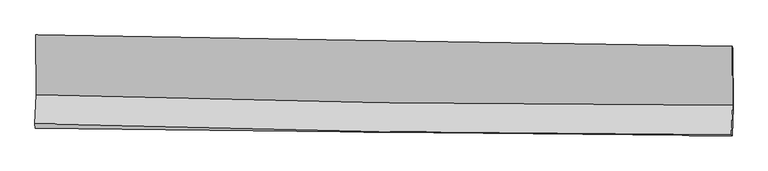
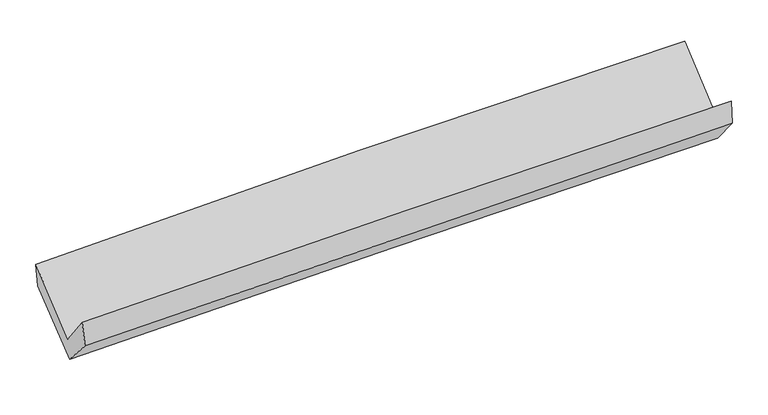
"""IFC4 building model written with IfcOpenShell, lengths in millimetres: proxy geometry."""

from ifc_helpers import new_model, si_unit, frame, origin, place, context, project, spatial, source, transform, mapped, element, save
from ifc_brep_helpers import plane_surface, spline_curve, spline_surface, advanced_brep


def generic_models_1b153eae(model_context):
    return source(origin(), model_context, "Body", "AdvancedBrep", [
        advanced_brep(
        [(-3018.1215319, -1162.2094908, 2164.9810661), (-3017.1381386, -1681.4299037, 1736.8217456), (3005.9383119, -1769.981761, 1894.7170252), (3003.20382, -1260.4124103, 2328.7466851), (-3026.8975678, -1931.0357636, 2055.3384857), (2996.3244673, -2026.803748, 2201.2297345), (-3023.3183769, -1969.1667616, 1844.1806179), (3000.7058924, -2035.3452864, 1986.7747534), (-3013.8197734, -1704.2004181, 1550.2055681), (3010.1257027, -1788.942393, 1683.3313792), (-3014.5111032, -1186.3733621, 1962.3843834), (3007.798436, -1275.4022449, 2100.2653667)],
        [
            (0, 1),
            (1, 2, spline_curve(3, [(-3017.1381386, -1681.4299037, 1736.8217456), (-2013.66560765, -1710.386106739, 1783.907427506), (-1009.85261051, -1732.243616181, 1820.609058349), (997.839955954, -1761.752218516, 1873.228115893), (2001.719109322, -1769.411994828, 1889.158244897), (3005.9383119, -1769.981761, 1894.7170252)], [4, 2, 4], [0.0, 9.887284193001575, 19.76851917157891])),
            (2, 3),
            (3, 0, spline_curve(3, [(3003.20382, -1260.4124103, 2328.7466851), (1999.533321082, -1245.540522881, 2319.204674894), (996.074439473, -1229.923734492, 2300.793425528), (-1011.034270367, -1197.190340411, 2246.215748572), (-2014.683839125, -1180.072822104, 2210.038458003), (-3018.1215319, -1162.2094908, 2164.9810661)], [4, 2, 4], [0.0, 9.881234978577334, 19.76851917157891])),
            (1, 4),
            (4, 5, spline_curve(3, [(-3026.8975678, -1931.0357636, 2055.3384857), (-2023.366114816, -1960.399951215, 2098.990006769), (-1019.51152638, -1983.063102425, 2132.974134316), (988.229547382, -2014.977566872, 2181.592724879), (1992.115637226, -2024.23707689, 2196.239013742), (2996.3244673, -2026.803748, 2201.2297345)], [4, 2, 4], [0.0, 9.888654325249162, 19.77125859780307])),
            (5, 2),
            (4, 6),
            (6, 7, spline_curve(3, [(-3023.3183769, -1969.1667616, 1844.1806179), (-2019.088823791, -1979.935337343, 1868.446539852), (-1014.818398392, -1990.836230112, 1892.46590601), (993.189741271, -2012.895900176, 1939.996983166), (1996.927405928, -2024.054515724, 1963.508995095), (3000.7058924, -2035.3452864, 1986.7747534)], [4, 2, 4], [0.0, 9.888194214272824, 19.770338657354383])),
            (7, 5),
            (6, 8),
            (8, 9, spline_curve(3, [(-3013.8197734, -1704.2004181, 1550.2055681), (-2009.713839569, -1715.293883841, 1579.84717259), (-1005.511775365, -1727.905073264, 1605.764047899), (1002.47016786, -1756.154254818, 1650.134762156), (2006.249928533, -1771.790390539, 1668.593157003), (3010.1257027, -1788.942393, 1683.3313792)], [4, 2, 4], [0.0, 9.88827900037013, 19.770508177675367])),
            (9, 7),
            (8, 10),
            (10, 11, spline_curve(3, [(-3014.5111032, -1186.3733621, 1962.3843834), (-2010.592359696, -1199.249349697, 1989.230363427), (-1006.62027293, -1213.108988089, 2014.146361192), (1000.816305108, -1242.786485925, 2060.104328159), (2004.280731953, -1258.603141469, 2081.14865825), (3007.798436, -1275.4022449, 2100.2653667)], [4, 2, 4], [0.0, 9.887065934993533, 19.768082789096916])),
            (11, 9),
            (10, 0),
            (3, 11),
        ],
        [
            spline_surface(3, 3, [[(-3018.1215319, -1162.2094908, 2164.9810661), (-2014.683839205, -1180.072822059, 2210.03845808), (-1011.034270357, -1197.190340371, 2246.215748565), (996.074439463, -1229.923734531, 2300.793425535), (1999.533321235, -1245.540522751, 2319.204674748), (3003.20382, -1260.4124103, 2328.7466851)], [(-3017.793734149, -1335.282961746, 2022.261292604), (-2014.344428652, -1356.84391694, 2067.994781267), (-1010.640383776, -1375.541432324, 2104.346851854), (996.662944994, -1407.199895831, 2158.271655651), (2000.261917257, -1420.164346736, 2175.855864828), (3004.115317304, -1430.268860517, 2184.070131806)], [(-3017.465936351, -1508.356432754, 1879.541519096), (-2014.005018052, -1533.615011884, 1925.951104441), (-1010.246497194, -1553.892524295, 1962.477955107), (997.251450527, -1584.476057149, 2015.749885729), (2000.990513265, -1594.78817077, 2032.507054892), (3005.026814596, -1600.125310783, 2039.393578494)], [(-3017.1381386, -1681.4299037, 1736.8217456), (-2013.665607499, -1710.386106765, 1783.907427628), (-1009.852610613, -1732.243616248, 1820.609058396), (997.839956058, -1761.752218449, 1873.228115845), (2001.719109287, -1769.411994755, 1889.158244972), (3005.9383119, -1769.981761, 1894.7170252)]], [4, 4], [4, 2, 4], [0.0, 2.240930128231393], [0.0, 9.887284193001575, 19.76851917157891]),
            spline_surface(3, 3, [[(-3017.1381386, -1681.4299037, 1736.8217456), (-2013.665607499, -1710.386106765, 1783.907427628), (-1009.852610613, -1732.243616248, 1820.609058396), (997.839956058, -1761.752218449, 1873.228115845), (2001.719109287, -1769.411994755, 1889.158244972), (3005.9383119, -1769.981761, 1894.7170252)], [(-3020.391281648, -1764.631856995, 1842.993992277), (-2016.899109887, -1793.724054888, 1888.934954001), (-1013.072249187, -1815.850111649, 1924.730750362), (994.636486478, -1846.160667905, 1976.016318836), (1998.517951953, -1854.353688842, 1991.518501177), (3002.733697035, -1855.589090021, 1996.887928295)], [(-3023.644424752, -1847.833810305, 1949.166239023), (-2020.132612333, -1877.062003026, 1993.962480444), (-1016.291887752, -1899.456607064, 2028.852442369), (991.433016907, -1930.569117375, 2078.804521869), (1995.316794616, -1939.295382866, 2093.878757397), (2999.529082165, -1941.196418979, 2099.058831405)], [(-3026.8975678, -1931.0357636, 2055.3384857), (-2023.366114722, -1960.39995115, 2098.990006817), (-1019.511526326, -1983.063102466, 2132.974134334), (988.229547328, -2014.977566831, 2181.59272486), (1992.115637282, -2024.237076953, 2196.239013602), (2996.3244673, -2026.803748, 2201.2297345)]], [4, 4], [4, 2, 4], [0.0, 1.3120687482627424], [0.0, 9.888654325249162, 19.77125859780307]),
            spline_surface(3, 3, [[(-3026.8975678, -1931.0357636, 2055.3384857), (-2023.366114722, -1960.39995115, 2098.990006817), (-1019.511526326, -1983.063102466, 2132.974134334), (988.229547328, -2014.977566831, 2181.59272486), (1992.115637282, -2024.237076953, 2196.239013602), (2996.3244673, -2026.803748, 2201.2297345)], [(-3025.704504176, -1943.74609627, 1984.952529792), (-2021.940351075, -1966.911746505, 2022.142184513), (-1017.947150347, -1985.654145013, 2052.804724962), (989.882945344, -2014.283677969, 2101.060810939), (1993.719560099, -2024.176223166, 2118.662340817), (2997.784942319, -2029.650927469, 2129.744740799)], [(-3024.511440524, -1956.45642893, 1914.566573808), (-2020.514587399, -1973.423541851, 1945.294362133), (-1016.382774423, -1988.245187528, 1972.635315521), (991.536343306, -2013.589789075, 2020.528896948), (1995.323482958, -2024.115369373, 2041.085668034), (2999.245417381, -2032.498106931, 2058.259747101)], [(-3023.3183769, -1969.1667616, 1844.1806179), (-2019.088823752, -1979.935337207, 1868.446539829), (-1014.818398445, -1990.836230075, 1892.46590615), (993.189741323, -2012.895900213, 1939.996983026), (1996.927405775, -2024.054515585, 1963.508995249), (3000.7058924, -2035.3452864, 1986.7747534)]], [4, 4], [4, 2, 4], [0.0, 0.7910656013049195], [0.0, 9.888194214272824, 19.770338657354383]),
            spline_surface(3, 3, [[(-3023.3183769, -1969.1667616, 1844.1806179), (-2019.088823752, -1979.935337207, 1868.446539829), (-1014.818398445, -1990.836230075, 1892.46590615), (993.189741323, -2012.895900213, 1939.996983026), (1996.927405775, -2024.054515585, 1963.508995249), (3000.7058924, -2035.3452864, 1986.7747534)], [(-3020.152175717, -1880.844647106, 1746.188934631), (-2015.963829046, -1891.721519451, 1772.246750799), (-1011.716190714, -1903.19251114, 1796.898620082), (996.283216776, -1927.315351751, 1843.376242683), (2000.034913395, -1939.96647387, 1865.203715907), (3003.845829156, -1953.21098861, 1885.626962018)], [(-3016.985974583, -1792.522532594, 1648.197251369), (-2012.838834389, -1803.507701678, 1676.046961778), (-1008.613982951, -1815.548792198, 1701.331334071), (999.376692262, -1841.734803281, 1746.755502396), (2003.142421047, -1855.878432126, 1766.89843651), (3006.985765944, -1871.07669079, 1784.479170582)], [(-3013.8197734, -1704.2004181, 1550.2055681), (-2009.713839683, -1715.293883922, 1579.847172749), (-1005.511775221, -1727.905073263, 1605.764048003), (1002.470167715, -1756.154254819, 1650.134762052), (2006.249928667, -1771.79039041, 1668.593157167), (3010.1257027, -1788.942393, 1683.3313792)]], [4, 4], [4, 2, 4], [0.0, 1.2736602745309213], [0.0, 9.88827900037013, 19.770508177675367]),
            spline_surface(3, 3, [[(-3013.8197734, -1704.2004181, 1550.2055681), (-2009.713839683, -1715.293883922, 1579.847172749), (-1005.511775221, -1727.905073263, 1605.764048003), (1002.470167715, -1756.154254819, 1650.134762052), (2006.249928667, -1771.79039041, 1668.593157167), (3010.1257027, -1788.942393, 1683.3313792)], [(-3014.050216687, -1531.591399441, 1687.598506518), (-2010.006679669, -1543.279039191, 1716.308236345), (-1005.881274516, -1556.306378248, 1741.891485734), (1001.918880214, -1585.031665124, 1786.791284069), (2005.593529713, -1600.727974089, 1806.111657519), (3009.349947133, -1617.762343612, 1822.309375029)], [(-3014.280659913, -1358.982380759, 1824.991444982), (-2010.299519594, -1371.264194436, 1852.769299987), (-1006.250773774, -1384.707683264, 1878.018923492), (1001.367592748, -1413.909075461, 1923.447806111), (2004.937130762, -1429.665557832, 1943.630157883), (3008.574191567, -1446.582294288, 1961.287370871)], [(-3014.5111032, -1186.3733621, 1962.3843834), (-2010.592359581, -1199.249349704, 1989.230363583), (-1006.620273069, -1213.108988249, 2014.146361224), (1000.816305246, -1242.786485765, 2060.104328128), (2004.280731808, -1258.603141511, 2081.148658235), (3007.798436, -1275.4022449, 2100.2653667)]], [4, 4], [4, 2, 4], [0.0, 2.155656964496462], [0.0, 9.887065934993533, 19.768082789096916]),
            spline_surface(3, 3, [[(-3014.5111032, -1186.3733621, 1962.3843834), (-2010.592359581, -1199.249349704, 1989.230363583), (-1006.620273069, -1213.108988249, 2014.146361224), (1000.816305246, -1242.786485765, 2060.104328128), (2004.280731808, -1258.603141511, 2081.148658235), (3007.798436, -1275.4022449, 2100.2653667)], [(-3015.714579424, -1178.318738342, 2029.916610978), (-2011.956186113, -1192.857173831, 2062.83306176), (-1008.09160549, -1207.802772298, 2091.502823676), (999.235683327, -1238.498902029, 2140.334027269), (2002.698261637, -1254.248935263, 2160.500663725), (3006.266897353, -1270.405633372, 2176.425806153)], [(-3016.918055676, -1170.264114558, 2097.448838522), (-2013.320012673, -1186.464997932, 2136.435759903), (-1009.562937936, -1202.496556322, 2168.859286112), (997.655061382, -1234.211318268, 2220.563726393), (2001.115791407, -1249.894728999, 2239.852669257), (3004.735358647, -1265.409021828, 2252.586245647)], [(-3018.1215319, -1162.2094908, 2164.9810661), (-2014.683839205, -1180.072822059, 2210.03845808), (-1011.034270357, -1197.190340371, 2246.215748565), (996.074439463, -1229.923734531, 2300.793425535), (1999.533321235, -1245.540522751, 2319.204674748), (3003.20382, -1260.4124103, 2328.7466851)]], [4, 4], [4, 2, 4], [0.0, 0.7770949895758552], [0.0, 9.885767282611356, 19.765486278870938]),
            plane_surface(frame((3004.0161051, -1692.8146406, 2032.510824), z_axis=(0.9997035647765291, -0.012454515351083419, 0.02092050717525647), x_axis=(-0.0035182438294008994, 0.77634396432073, 0.6302996676368551))),
            plane_surface(frame((-3018.9677486, -1605.73595, 1885.6519778), z_axis=(-0.9997089378163464, 0.014193636111341864, -0.019508468521425924), x_axis=(0.017692580774617613, -0.11841287649867899, -0.9928068106458791))),
        ],
        [
            (0, [[1, 2, 3, 4]]),
            (1, [[5, 6, 7, -2]]),
            (2, [[8, 9, 10, -6]]),
            (3, [[11, 12, 13, -9]]),
            (4, [[14, 15, 16, -12]]),
            (5, [[17, -4, 18, -15]]),
            (6, [[-16, -18, -3, -7, -10, -13]]),
            (7, [[-17, -14, -11, -8, -5, -1]]),
        ],
    ),
    ])


if __name__ == "__main__":
    model = new_model("IFC4")
    model_context = context("Model", 3, world=origin())
    ifc_project = project(units=[si_unit("LENGTHUNIT", "METRE", prefix="MILLI")], contexts=[model_context])
    site = spatial("IfcSite", under=ifc_project)
    building = spatial("IfcBuilding", under=site)
    placement = place(None, origin())
    generic_models_shape = generic_models_1b153eae(model_context)
    element("IfcBuildingElementProxy", 1, Name="Generic Models", at=placement, inside=building, context=model_context, shape_type="MappedRepresentation", body=[
        mapped(generic_models_shape, transform((0.0, 0.0, 0.0), x_axis=(1.0, 0.0, 0.0), y_axis=(0.0, 1.0, 0.0), z_axis=(0.0, 0.0, 1.0))),
    ])
    save(model, "model.ifc")
